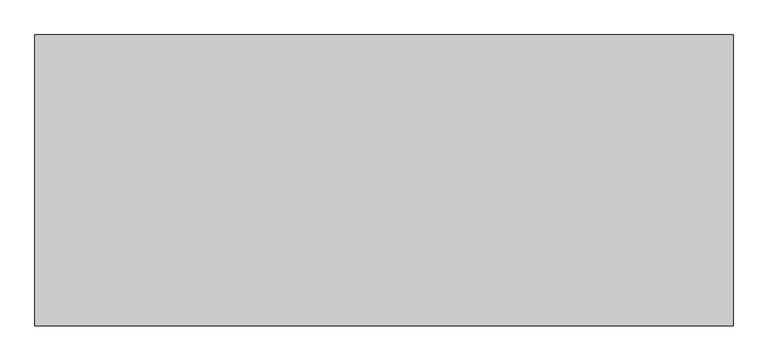
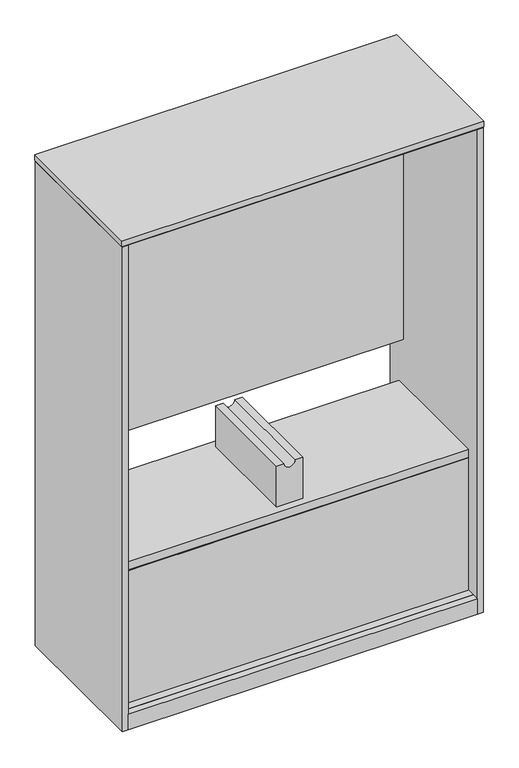
"""IFC4 building model written with IfcOpenShell, lengths in millimetres: furniture geometry."""

from ifc_helpers import new_model, si_unit, point, frame, frame_2d, origin, origin_with_axes, place, context, project, spatial, polyline, circle_curve, trimmed, segment, composite_curve, outline, extrude, source, transform, mapped, element, save


def furniture_a69176db(model_context):
    return source(origin(), model_context, "Body", "SweptSolid", [
        extrude(outline(polyline([(1191.25238, -76.6318), (21.59762, -76.6318), (21.59762, -51.2318), (1191.25238, -51.2318), (1191.25238, -76.6318)])), frame((0.0, 0.0, 58.7502), z_axis=(0.0, 0.0, 1.0), x_axis=(1.0, 0.0, 0.0)), (0.0, 0.0, 1.0), 467.89594),
        extrude(outline(polyline([(1191.25238, -453.5932), (21.59762, -453.5932), (21.59762, -428.1932), (1191.25238, -428.1932), (1191.25238, -453.5932)])), frame((0.0, 0.0, 58.7502), z_axis=(0.0, 0.0, 1.0), x_axis=(1.0, 0.0, 0.0)), (0.0, 0.0, 1.0), 467.89594),
        extrude(outline(composite_curve([segment(polyline([(703.024704, 561.975), (557.60112, 561.975), (557.60112, 650.875), (703.024704, 650.875), (703.024704, 625.475)]), True, "CONTINUOUS"), segment(trimmed(circle_curve(frame_2d((703.024704, 606.425)), 19.05), [point((703.024704, 625.475))], [point((703.024704, 587.375))], True, "CARTESIAN"), True, "CONTINUOUS"), segment(polyline([(703.024704, 587.375), (703.024704, 561.975)]), True, "CONTINUOUS")], self_intersect=False)), frame((0.0, -428.1932, 0.0), z_axis=(0.0, 1.0, 0.0), x_axis=(0.0, 0.0, 1.0)), (0.0, 0.0, 1.0), 351.5614),
        extrude(outline(polyline([(1191.25238, -453.5932), (21.59762, -453.5932), (21.59762, -51.2318), (1191.25238, -51.2318), (1191.25238, -453.5932)])), frame((0.0, 0.0, 529.16328), z_axis=(0.0, 0.0, 1.0), x_axis=(1.0, 0.0, 0.0)), (0.0, 0.0, 1.0), 28.43784),
        extrude(outline(polyline([(1191.25238, -76.6318), (21.59762, -76.6318), (21.59762, -51.2318), (1191.25238, -51.2318), (1191.25238, -76.6318)])), frame((0.0, 0.0, 719.20354), z_axis=(0.0, 0.0, 1.0), x_axis=(1.0, 0.0, 0.0)), (0.0, 0.0, 1.0), 805.71086),
        extrude(outline(polyline([(1191.25238, -453.5932), (21.59762, -453.5932), (21.59762, -51.2318), (1191.25238, -51.2318), (1191.25238, -453.5932)])), frame((0.0, 0.0, 1693.2148), z_axis=(0.0, 0.0, 1.0), x_axis=(1.0, 0.0, 0.0)), (0.0, 0.0, 1.0), 26.924),
        extrude(outline(polyline([(1210.564, -502.92), (3.8735, -502.92), (3.8735, -0.7874), (1210.564, -0.7874), (1210.564, -502.92)])), frame((0.0, 0.0, 1720.1388), z_axis=(0.0, 0.0, 1.0), x_axis=(1.0, 0.0, 0.0)), (0.0, 0.0, 1.0), 1.905),
        extrude(outline(polyline([(1191.25238, -481.7618), (1191.25238, -504.825), (21.59762, -504.825), (21.59762, -481.7618), (1191.25238, -481.7618)])), frame((0.0, 0.0, 3.5814), z_axis=(0.0, 0.0, 1.0), x_axis=(1.0, 0.0, 0.0)), (0.0, 0.0, 1.0), 55.1688),
        extrude(outline(polyline([(46.1772, -71.0692), (61.8363, -80.1099856), (61.8363, -98.1915568), (46.1772, -107.2323424), (30.5181, -98.1915568), (30.5181, -80.1099856), (46.1772, -71.0692)])), origin_with_axes(), (0.0, 0.0, 1.0), 8.4328),
        extrude(outline(polyline([(46.1772, -478.6376), (30.5181, -469.5968144), (30.5181, -451.5152432), (46.1772, -442.4744576), (61.8363, -451.5152432), (61.8363, -469.5968144), (46.1772, -478.6376)])), origin_with_axes(), (0.0, 0.0, 1.0), 8.4328),
        extrude(outline(polyline([(1166.6728, -71.0692), (1182.3319, -80.1099856), (1182.3319, -98.1915568), (1166.6728, -107.2323424), (1151.0137, -98.1915568), (1151.0137, -80.1099856), (1166.6728, -71.0692)])), origin_with_axes(), (0.0, 0.0, 1.0), 8.4328),
        extrude(outline(polyline([(1166.6728, -478.6376), (1151.0137, -469.5968144), (1151.0137, -451.5152432), (1166.6728, -442.4744576), (1182.3319, -451.5152432), (1182.3319, -469.5968144), (1166.6728, -478.6376)])), origin_with_axes(), (0.0, 0.0, 1.0), 8.4328),
        extrude(outline(polyline([(1212.85, -504.825), (0.0, -504.825), (0.0, 0.0), (1212.85, 0.0), (1212.85, -504.825)])), frame((0.0, 0.0, 1723.6948), z_axis=(0.0, 0.0, 1.0), x_axis=(1.0, 0.0, 0.0)), (0.0, 0.0, 1.0), 19.304),
        extrude(outline(polyline([(1191.25238, 0.0), (1191.25238, -481.7618), (21.59762, -481.7618), (21.59762, 0.0), (1191.25238, 0.0)])), frame((0.0, 0.0, 3.5814), z_axis=(0.0, 0.0, 1.0), x_axis=(1.0, 0.0, 0.0)), (0.0, 0.0, 1.0), 55.1688),
        extrude(outline(polyline([(21.59762, -504.825), (1.5875, -504.825), (1.5875, 0.0), (21.59762, 0.0), (21.59762, -504.825)])), frame((0.0, 0.0, 3.5814), z_axis=(0.0, 0.0, 1.0), x_axis=(1.0, 0.0, 0.0)), (0.0, 0.0, 1.0), 1716.5574),
        extrude(outline(polyline([(1211.2625, -504.825), (1191.25238, -504.825), (1191.25238, 0.0), (1211.2625, 0.0), (1211.2625, -504.825)])), frame((0.0, 0.0, 3.5814), z_axis=(0.0, 0.0, 1.0), x_axis=(1.0, 0.0, 0.0)), (0.0, 0.0, 1.0), 1716.5574),
    ])


if __name__ == "__main__":
    model = new_model("IFC4")
    model_context = context("Model", 3, world=origin())
    ifc_project = project(units=[si_unit("LENGTHUNIT", "METRE", prefix="MILLI")], contexts=[model_context])
    site = spatial("IfcSite", under=ifc_project)
    building = spatial("IfcBuilding", under=site)
    placement = place(None, origin())
    furniture_shape = furniture_a69176db(model_context)
    element("IfcFurniture", 1, at=placement, inside=building, context=model_context, shape_type="MappedRepresentation", body=[
        mapped(furniture_shape, transform((0.0, 0.0, 0.0), x_axis=(1.0, 0.0, 0.0), y_axis=(0.0, 1.0, 0.0), z_axis=(0.0, 0.0, 1.0))),
    ])
    save(model, "model.ifc")
